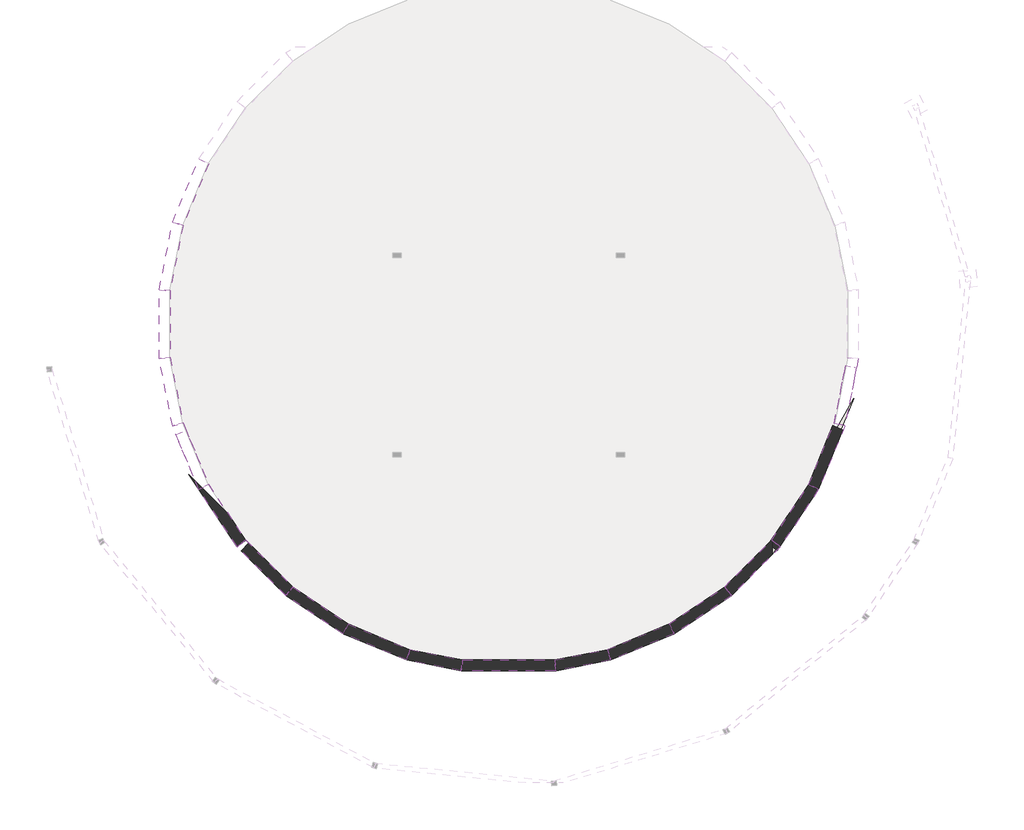
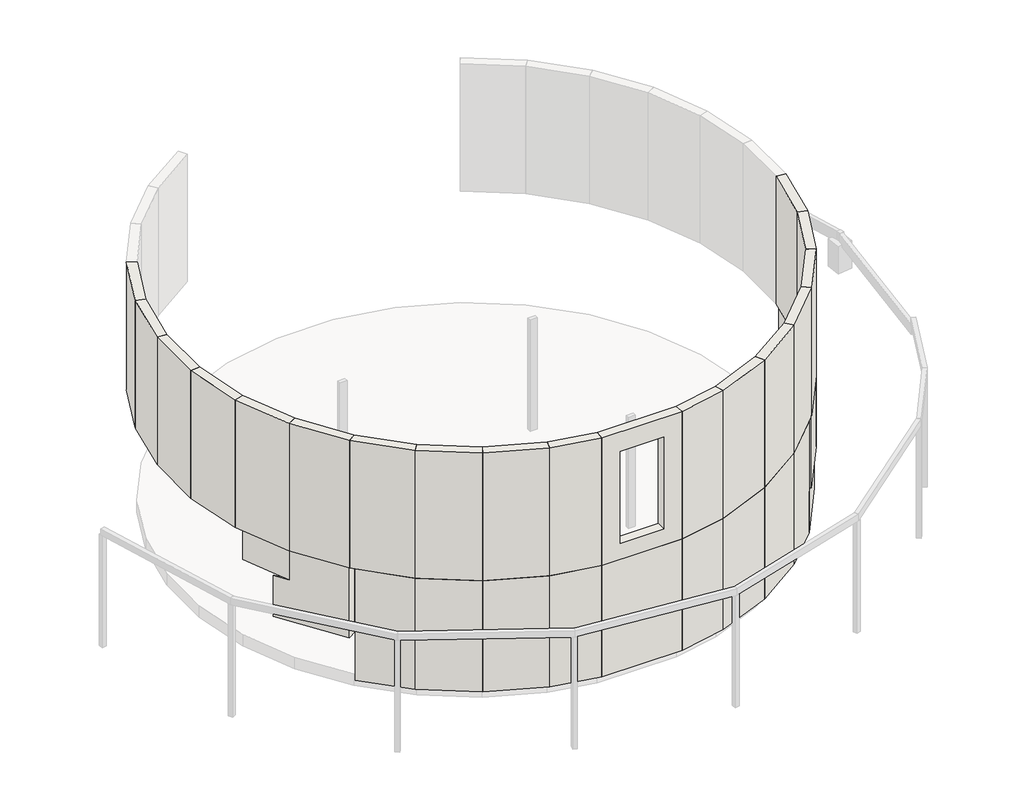
# One storey, part 1 of 2: 34 walls.
"""IFC4 building model written with IfcOpenShell, lengths in millimetres."""

from ifc_helpers import new_model, si_unit, frame, origin, place, context, project, spatial, polyline, outline, extrude, faceted_brep, element, save

model = new_model("IFC4")

# Units and contexts
model_context = context("Model", 3, world=origin())
ifc_project = project(units=[si_unit("LENGTHUNIT", "METRE", prefix="MILLI")], contexts=[model_context])

# Site, building, storey
site = spatial("IfcSite", under=ifc_project)
building = spatial("IfcBuilding", under=site)
storey = spatial("IfcBuildingStorey", under=building, Elevation=-2825.75)

# Walls
placement = place(None, origin())
element("IfcWall", 1, at=placement, inside=storey, context=model_context, shape_type="SweptSolid", body=[
    extrude(outline(polyline([(66448.196028, 58026.4981067), (65661.9444309, 56849.7894355), (65661.1088765, 57122.8516929), (66313.1409, 58098.6865766), (66448.196028, 58026.4981067)])), frame((0.0, 0.0, -2825.75), z_axis=(0.0, 0.0, 1.0), x_axis=(1.0, 0.0, 0.0)), (0.0, 0.0, 1.0), 914.4),
])
element("IfcWall", 2, at=placement, inside=storey, context=model_context, shape_type="SweptSolid", body=[
    extrude(outline(polyline([(66313.1409, 58098.6865766), (66519.3768946, 58596.5843118), (67114.3352782, 59634.700519), (66448.196028, 58026.4981067), (66313.1409, 58098.6865766)])), frame((0.0, 0.0, -2825.75), z_axis=(0.0, 0.0, 1.0), x_axis=(1.0, 0.0, 0.0)), (0.0, 0.0, 1.0), 914.4),
])
element("IfcWall", 3, ObjectType="Ext - Plank on 2x6", at=placement, inside=storey, context=model_context, shape_type="Brep", body=[
    faceted_brep([(66765.4433693, 59198.9380071, -358.775), (66310.3272515, 58100.1905031, -358.775), (66310.3272515, 58100.1905031, 2466.975), (66765.4433693, 59198.9380071, 2466.975), (66951.6755476, 59142.4450934, -358.775), (66951.6755476, 59142.4450934, 2466.975), (66481.9598101, 58008.4509893, 2466.975), (66481.9598101, 58008.4509893, -358.775), (66915.0397093, 59153.5584534, -358.775), (66448.196028, 58026.4981067, -358.775)], [[[0, 1, 2, 3]], [[4, 5, 6, 7]], [[3, 2, 6, 5]], [[1, 0, 8, 9]], [[2, 1, 9, 7, 6]], [[0, 3, 5, 4, 8]], [[8, 4, 7, 9]]]),
])
element("IfcWall", 4, ObjectType="Ext - Plank on 2x6", at=placement, inside=storey, context=model_context, shape_type="Brep", body=[
    faceted_brep([(66997.4595541, 60365.3621358, -358.775), (66765.4433693, 59198.9380071, -358.775), (66765.4433693, 59198.9380071, 2466.975), (66997.4595541, 60365.3621358, 2466.975), (67191.1345541, 60346.2868133, -358.775), (67191.1345541, 60346.2868133, 2466.975), (66951.6755476, 59142.4450934, 2466.975), (66951.6755476, 59142.4450934, -358.775), (67153.0345541, 60350.0393357, -358.775), (66915.0397093, 59153.5584534, -358.775)], [[[0, 1, 2, 3]], [[4, 5, 6, 7]], [[3, 2, 6, 5]], [[1, 0, 8, 9]], [[0, 3, 5, 4, 8]], [[2, 1, 9, 7, 6]], [[8, 4, 7, 9]]]),
])
element("IfcWall", 5, ObjectType="Ext - Plank on 2x6", at=placement, inside=storey, context=model_context, shape_type="Brep", body=[
    faceted_brep([(55154.5566307, 62721.0619929, -358.775), (55609.6727485, 63819.8094969, -358.775), (55609.6727485, 63819.8094969, 2466.975), (55154.5566307, 62721.0619929, 2466.975), (54968.3244524, 62777.5549066, -358.775), (54968.3244524, 62777.5549066, 2466.975), (55438.0401899, 63911.5490107, 2466.975), (55438.0401899, 63911.5490107, -358.775), (55004.9602907, 62766.4415466, -358.775), (55471.803972, 63893.5018933, -358.775)], [[[0, 1, 2, 3]], [[4, 5, 6, 7]], [[3, 2, 6, 5]], [[1, 0, 8, 9]], [[0, 3, 5, 4, 8]], [[2, 1, 9, 7, 6]], [[8, 4, 7, 9]]]),
])
element("IfcWall", 6, ObjectType="Ext - Plank on 2x6", at=placement, inside=storey, context=model_context, shape_type="Brep", body=[
    faceted_brep([(54922.5404459, 61554.6378642, -358.775), (55154.5566307, 62721.0619929, -358.775), (55154.5566307, 62721.0619929, 2466.975), (54922.5404459, 61554.6378642, 2466.975), (54728.8654459, 61573.7131867, -358.775), (54728.8654459, 61573.7131867, 2466.975), (54968.3244524, 62777.5549066, 2466.975), (54968.3244524, 62777.5549066, -358.775), (54766.9654459, 61569.9606643, -358.775), (55004.9602907, 62766.4415466, -358.775)], [[[0, 1, 2, 3]], [[4, 5, 6, 7]], [[3, 2, 6, 5]], [[1, 0, 8, 9]], [[0, 3, 5, 4, 8]], [[2, 1, 9, 7, 6]], [[8, 4, 7, 9]]]),
])
element("IfcWall", 7, ObjectType="Ext - Plank on 2x6", at=placement, inside=storey, context=model_context, shape_type="Brep", body=[
    faceted_brep([(54922.5404459, 60365.3621358, -358.775), (54922.5404459, 61554.6378642, -358.775), (54922.5404459, 61554.6378642, 2466.975), (54922.5404459, 60365.3621358, 2466.975), (54728.8654459, 60346.2868133, -358.775), (54728.8654459, 60346.2868133, 2466.975), (54728.8654459, 61573.7131867, 2466.975), (54728.8654459, 61573.7131867, -358.775), (54766.9654459, 60350.0393357, -358.775), (54766.9654459, 61569.9606643, -358.775)], [[[0, 1, 2, 3]], [[4, 5, 6, 7]], [[3, 2, 6, 5]], [[1, 0, 8, 9]], [[0, 3, 5, 4, 8]], [[2, 1, 9, 7, 6]], [[8, 4, 7, 9]]]),
])
element("IfcWall", 8, ObjectType="Ext - Plank on 2x6", at=placement, inside=storey, context=model_context, shape_type="Brep", body=[
    faceted_brep([(55154.5566307, 59198.9380071, -358.775), (54922.5404459, 60365.3621358, -358.775), (54922.5404459, 60365.3621358, 2466.975), (55154.5566307, 59198.9380071, 2466.975), (54968.3244524, 59142.4450934, -358.775), (54968.3244524, 59142.4450934, 2466.975), (54728.8654459, 60346.2868133, 2466.975), (54728.8654459, 60346.2868133, -358.775), (55004.9602907, 59153.5584534, -358.775), (54766.9654459, 60350.0393357, -358.775)], [[[0, 1, 2, 3]], [[4, 5, 6, 7]], [[3, 2, 6, 5]], [[1, 0, 8, 9]], [[0, 3, 5, 4, 8]], [[2, 1, 9, 7, 6]], [[8, 4, 7, 9]]]),
])
element("IfcWall", 9, ObjectType="Ext - Plank on 2x6", at=placement, inside=storey, context=model_context, shape_type="Brep", body=[
    faceted_brep([(55609.6727485, 58100.1905031, -358.775), (55154.5566307, 59198.9380071, -358.775), (55154.5566307, 59198.9380071, 2466.975), (55609.6727485, 58100.1905031, 2466.975), (55438.0401899, 58008.4509893, -358.775), (55438.0401899, 58008.4509893, 2466.975), (54968.3244524, 59142.4450934, 2466.975), (54968.3244524, 59142.4450934, -358.775), (55471.803972, 58026.4981067, -358.775), (55004.9602907, 59153.5584534, -358.775)], [[[0, 1, 2, 3]], [[4, 5, 6, 7]], [[3, 2, 6, 5]], [[1, 0, 8, 9]], [[0, 3, 5, 4, 8]], [[2, 1, 9, 7, 6]], [[8, 4, 7, 9]]]),
])
element("IfcWall", 10, ObjectType="Ext - Plank on 2x6", at=placement, inside=storey, context=model_context, shape_type="Brep", body=[
    faceted_brep([(56270.398942, 57111.3438743, -358.775), (55609.6727485, 58100.1905031, -358.775), (55609.6727485, 58100.1905031, 2466.975), (56270.398942, 57111.3438743, 2466.975), (56119.9617463, 56987.8832584, -358.775), (56119.9617463, 56987.8832584, 2466.975), (55438.0401899, 58008.4509893, 2466.975), (55438.0401899, 58008.4509893, -358.775), (56149.5559487, 57012.1705927, -358.775), (55471.803972, 58026.4981067, -358.775)], [[[0, 1, 2, 3]], [[4, 5, 6, 7]], [[3, 2, 6, 5]], [[1, 0, 8, 9]], [[0, 3, 5, 4, 8]], [[8, 4, 7, 9]], [[2, 1, 9, 7, 6]]]),
])
element("IfcWall", 11, ObjectType="Ext - Plank on 2x6", at=placement, inside=storey, context=model_context, shape_type="Brep", body=[
    faceted_brep([(57111.3438743, 56270.398942, -358.775), (56270.398942, 57111.3438743, -358.775), (56270.398942, 57111.3438743, 2466.975), (57111.3438743, 56270.398942, 2466.975), (56987.8832584, 56119.9617463, -358.775), (56987.8832584, 56119.9617463, 2466.975), (56119.9617463, 56987.8832584, 2466.975), (56119.9617463, 56987.8832584, -358.775), (57012.1705927, 56149.5559487, -358.775), (56149.5559487, 57012.1705927, -358.775)], [[[0, 1, 2, 3]], [[4, 5, 6, 7]], [[3, 2, 6, 5]], [[1, 0, 8, 9]], [[0, 3, 5, 4, 8]], [[2, 1, 9, 7, 6]], [[8, 4, 7, 9]]]),
])
element("IfcWall", 12, ObjectType="Ext - Plank on 2x6", at=placement, inside=storey, context=model_context, shape_type="Brep", body=[
    faceted_brep([(58100.1905031, 55609.6727485, -358.775), (57111.3438743, 56270.398942, -358.775), (57111.3438743, 56270.398942, 2466.975), (58100.1905031, 55609.6727485, 2466.975), (58008.4509893, 55438.0401899, -358.775), (58008.4509893, 55438.0401899, 2466.975), (56987.8832584, 56119.9617463, 2466.975), (56987.8832584, 56119.9617463, -358.775), (58026.4981067, 55471.803972, -358.775), (57012.1705927, 56149.5559487, -358.775)], [[[0, 1, 2, 3]], [[4, 5, 6, 7]], [[3, 2, 6, 5]], [[1, 0, 8, 9]], [[2, 1, 9, 7, 6]], [[0, 3, 5, 4, 8]], [[8, 4, 7, 9]]]),
])
element("IfcWall", 13, ObjectType="Ext - Plank on 2x6", at=placement, inside=storey, context=model_context, shape_type="Brep", body=[
    faceted_brep([(59198.9380071, 55154.5566307, -358.775), (58100.1905031, 55609.6727485, -358.775), (58100.1905031, 55609.6727485, 2466.975), (59198.9380071, 55154.5566307, 2466.975), (59142.4450934, 54968.3244524, -358.775), (59142.4450934, 54968.3244524, 2466.975), (58008.4509893, 55438.0401899, 2466.975), (58008.4509893, 55438.0401899, -358.775), (59153.5584534, 55004.9602907, -358.775), (58026.4981067, 55471.803972, -358.775)], [[[0, 1, 2, 3]], [[4, 5, 6, 7]], [[3, 2, 6, 5]], [[1, 0, 8, 9]], [[0, 3, 5, 4, 8]], [[8, 4, 7, 9]], [[2, 1, 9, 7, 6]]]),
])
element("IfcWall", 14, ObjectType="Ext - Plank on 2x6", at=placement, inside=storey, context=model_context, shape_type="Brep", body=[
    faceted_brep([(60135.5353001, 54968.2558459, -358.775), (59198.9380071, 55154.5566307, -358.775), (59198.9380071, 55154.5566307, 2466.975), (60135.5353001, 54968.2558459, 2466.975), (60116.4599775, 54774.5808459, -358.775), (60116.4599775, 54774.5808459, 2466.975), (59142.4450934, 54968.3244524, 2466.975), (59142.4450934, 54968.3244524, -358.775), (60120.2125, 54812.6808459, -358.775), (59153.5584534, 55004.9602907, -358.775)], [[[0, 1, 2, 3]], [[4, 5, 6, 7]], [[3, 2, 6, 5]], [[1, 0, 8, 9]], [[0, 3, 5, 4, 8]], [[8, 4, 7, 9]], [[2, 1, 9, 7, 6]]]),
])
element("IfcWall", 15, ObjectType="Ext - Plank on 2x6", at=placement, inside=storey, context=model_context, shape_type="Brep", body=[
    faceted_brep([(61784.4646999, 54968.2558459, -358.775), (60135.5353001, 54968.2558459, -358.775), (60135.5353001, 54968.2558459, 2466.975), (61784.4646999, 54968.2558459, 2466.975), (60502.8, 54968.2558459, 0.0), (61417.2, 54968.2558459, 0.0), (61417.2, 54968.2558459, 2032.0), (60502.8, 54968.2558459, 2032.0), (61803.5400225, 54774.5808459, 2466.975), (60116.4599775, 54774.5808459, 2466.975), (60116.4599775, 54774.5808459, -358.775), (61803.5400225, 54774.5808459, -358.775), (61417.2, 54774.5808459, 0.0), (60502.8, 54774.5808459, 0.0), (60502.8, 54774.5808459, 2032.0), (61417.2, 54774.5808459, 2032.0), (61799.7875, 54812.6808459, -358.775), (60120.2125, 54812.6808459, -358.775)], [[[0, 1, 2, 3], [4, 5, 6, 7]], [[8, 9, 10, 11], [12, 13, 14, 15]], [[3, 2, 9, 8]], [[1, 0, 16, 17]], [[0, 3, 8, 11, 16]], [[2, 1, 17, 10, 9]], [[11, 10, 17, 16]], [[12, 5, 4, 13]], [[13, 4, 7, 14]], [[14, 7, 6, 15]], [[5, 12, 15, 6]]]),
])
element("IfcWall", 16, ObjectType="Ext - Plank on 2x6", at=placement, inside=storey, context=model_context, shape_type="Brep", body=[
    faceted_brep([(62721.0619929, 55154.5566307, -358.775), (61784.4646999, 54968.2558459, -358.775), (61784.4646999, 54968.2558459, 2466.975), (62721.0619929, 55154.5566307, 2466.975), (62777.5549066, 54968.3244524, -358.775), (62777.5549066, 54968.3244524, 2466.975), (61803.5400225, 54774.5808459, 2466.975), (61803.5400225, 54774.5808459, -358.775), (62766.4415466, 55004.9602907, -358.775), (61799.7875, 54812.6808459, -358.775)], [[[0, 1, 2, 3]], [[4, 5, 6, 7]], [[3, 2, 6, 5]], [[1, 0, 8, 9]], [[2, 1, 9, 7, 6]], [[0, 3, 5, 4, 8]], [[8, 4, 7, 9]]]),
])
element("IfcWall", 17, ObjectType="Ext - Plank on 2x6", at=placement, inside=storey, context=model_context, shape_type="Brep", body=[
    faceted_brep([(63819.8094969, 55609.6727485, -358.775), (62721.0619929, 55154.5566307, -358.775), (62721.0619929, 55154.5566307, 2466.975), (63819.8094969, 55609.6727485, 2466.975), (63911.5490107, 55438.0401899, -358.775), (63911.5490107, 55438.0401899, 2466.975), (62777.5549066, 54968.3244524, 2466.975), (62777.5549066, 54968.3244524, -358.775), (63893.5018933, 55471.803972, -358.775), (62766.4415466, 55004.9602907, -358.775)], [[[0, 1, 2, 3]], [[4, 5, 6, 7]], [[3, 2, 6, 5]], [[1, 0, 8, 9]], [[0, 3, 5, 4, 8]], [[2, 1, 9, 7, 6]], [[8, 4, 7, 9]]]),
])
element("IfcWall", 18, ObjectType="Ext - Plank on 2x6", at=placement, inside=storey, context=model_context, shape_type="Brep", body=[
    faceted_brep([(64808.6561257, 56270.398942, -358.775), (63819.8094969, 55609.6727485, -358.775), (63819.8094969, 55609.6727485, 2466.975), (64808.6561257, 56270.398942, 2466.975), (64932.1167416, 56119.9617463, -358.775), (64932.1167416, 56119.9617463, 2466.975), (63911.5490107, 55438.0401899, 2466.975), (63911.5490107, 55438.0401899, -358.775), (64907.8294074, 56149.5559487, -358.775), (63893.5018933, 55471.803972, -358.775)], [[[0, 1, 2, 3]], [[4, 5, 6, 7]], [[3, 2, 6, 5]], [[1, 0, 8, 9]], [[0, 3, 5, 4, 8]], [[2, 1, 9, 7, 6]], [[8, 4, 7, 9]]]),
])
element("IfcWall", 19, ObjectType="Ext - Plank on 2x6", at=placement, inside=storey, context=model_context, shape_type="Brep", body=[
    faceted_brep([(65649.601058, 57111.3438743, -358.775), (64808.6561257, 56270.398942, -358.775), (64808.6561257, 56270.398942, 2466.975), (65649.601058, 57111.3438743, 2466.975), (65800.0382537, 56987.8832584, -358.775), (65800.0382537, 56987.8832584, 2466.975), (64932.1167416, 56119.9617463, 2466.975), (64932.1167416, 56119.9617463, -358.775), (65770.4440513, 57012.1705926, -358.775), (64907.8294074, 56149.5559487, -358.775)], [[[0, 1, 2, 3]], [[4, 5, 6, 7]], [[3, 2, 6, 5]], [[1, 0, 8, 9]], [[0, 3, 5, 4, 8]], [[2, 1, 9, 7, 6]], [[8, 4, 7, 9]]]),
])
element("IfcWall", 20, ObjectType="Ext - Plank on 2x6", at=placement, inside=storey, context=model_context, shape_type="Brep", body=[
    faceted_brep([(66310.3272515, 58100.1905031, -358.775), (65649.601058, 57111.3438743, -358.775), (65649.601058, 57111.3438743, 2466.975), (66310.3272515, 58100.1905031, 2466.975), (66481.9598101, 58008.4509893, -358.775), (66481.9598101, 58008.4509893, 2466.975), (65800.0382537, 56987.8832584, 2466.975), (65800.0382537, 56987.8832584, -358.775), (66448.196028, 58026.4981067, -358.775), (65770.4440513, 57012.1705926, -358.775)], [[[0, 1, 2, 3]], [[4, 5, 6, 7]], [[3, 2, 6, 5]], [[1, 0, 8, 9]], [[0, 3, 5, 4, 8]], [[2, 1, 9, 7, 6]], [[8, 4, 7, 9]]]),
])
element("IfcWall", 21, ObjectType="Ext - Plank on 2x6", at=placement, inside=storey, context=model_context, shape_type="SweptSolid", body=[
    extrude(outline(polyline([(0.0, -638.175), (0.0, 0.0), (155.575, 0.0), (193.6749999, 0.0), (193.6749999, -638.175), (0.0, -638.175)])), frame((66763.5826639, 59189.5836093, -996.95), z_axis=(0.19509032201615706, 0.9807852804032248, 0.0), x_axis=(0.9807852804032248, -0.19509032201615706, 0.0)), (0.0, 0.0, 1.0), 1053.7431765),
])
element("IfcWall", 22, ObjectType="Ext - Plank on 2x6", at=placement, inside=storey, context=model_context, shape_type="Brep", body=[
    faceted_brep([(55609.6727485, 58100.1905031, -996.95), (55210.0725978, 59064.9106064, -996.95), (55210.0725978, 59064.9106064, -358.775), (55609.6727485, 58100.1905031, -358.775), (55438.0401899, 58008.4509893, -996.95), (55438.0401899, 58008.4509893, -358.775), (55031.1402294, 58990.7943926, -358.775), (55031.1402294, 58990.7943926, -996.95), (55066.3400396, 59005.3746314, -996.95), (55471.803972, 58026.4981067, -996.95)], [[[0, 1, 2, 3]], [[4, 5, 6, 7]], [[2, 1, 8, 7, 6]], [[3, 2, 6, 5]], [[1, 0, 9, 8]], [[0, 3, 5, 4, 9]], [[9, 4, 7, 8]]]),
])
element("IfcWall", 23, ObjectType="Ext - Plank on 2x6", at=placement, inside=storey, context=model_context, shape_type="Brep", body=[
    faceted_brep([(56275.6977827, 57103.4135988, -1911.35), (55962.2965147, 57572.4517425, -1911.35), (55962.2965147, 57572.4517425, -996.95), (55609.6727485, 58100.1905031, -996.95), (55609.6727485, 58100.1905031, -358.775), (56275.6977827, 57103.4135988, -358.775), (56114.6629056, 56995.8135339, -1911.35), (56114.6629056, 56995.8135339, -358.775), (55438.0401899, 58008.4509893, -358.775), (55438.0401899, 58008.4509893, -996.95), (55257.2074893, 58279.0862511, -996.95), (55257.2074893, 58279.0862511, -1911.35), (56146.3418978, 57016.9807598, -1911.35), (55395.9135271, 58140.0761838, -1911.35), (55496.2207183, 58039.5491295, -996.95)], [[[0, 1, 2, 3, 4, 5]], [[6, 7, 8, 9, 10, 11]], [[5, 4, 8, 7]], [[0, 5, 7, 6, 12]], [[1, 0, 12, 13]], [[12, 6, 11, 13]], [[9, 14, 10]], [[2, 1, 13, 11, 10, 14]], [[4, 3, 14, 9, 8]], [[14, 3, 2]]]),
])
element("IfcWall", 24, ObjectType="Ext - Plank on 2x6", at=placement, inside=storey, context=model_context, shape_type="Brep", body=[
    faceted_brep([(57111.3438743, 56270.398942, -2825.75), (56326.9477992, 57054.7950171, -2825.75), (56326.9477992, 57054.7950171, -358.775), (57111.3438743, 56270.398942, -358.775), (56987.8832584, 56119.9617463, -2825.75), (56987.8832584, 56119.9617463, -358.775), (56189.9988934, 56917.8461113, -358.775), (56189.9988934, 56917.8461113, -2825.75), (56216.9396617, 56944.7868796, -2825.75), (57012.1705927, 56149.5559487, -2825.75)], [[[0, 1, 2, 3]], [[4, 5, 6, 7]], [[2, 1, 8, 7, 6]], [[3, 2, 6, 5]], [[1, 0, 9, 8]], [[0, 3, 5, 4, 9]], [[9, 4, 7, 8]]]),
])
element("IfcWall", 25, ObjectType="Ext - Plank on 2x6", at=placement, inside=storey, context=model_context, shape_type="Brep", body=[
    faceted_brep([(58100.1905031, 55609.6727485, -2825.75), (57111.3438743, 56270.398942, -2825.75), (57111.3438743, 56270.398942, -358.775), (58100.1905031, 55609.6727485, -358.775), (58008.4509893, 55438.0401899, -2825.75), (58008.4509893, 55438.0401899, -358.775), (56987.8832584, 56119.9617463, -358.775), (56987.8832584, 56119.9617463, -2825.75), (58026.4981067, 55471.803972, -2825.75), (57012.1705927, 56149.5559487, -2825.75)], [[[0, 1, 2, 3]], [[4, 5, 6, 7]], [[3, 2, 6, 5]], [[1, 0, 8, 9]], [[0, 3, 5, 4, 8]], [[2, 1, 9, 7, 6]], [[8, 4, 7, 9]]]),
])
element("IfcWall", 26, ObjectType="Ext - Plank on 2x6", at=placement, inside=storey, context=model_context, shape_type="Brep", body=[
    faceted_brep([(59198.9380071, 55154.5566307, -2825.75), (58100.1905031, 55609.6727485, -2825.75), (58100.1905031, 55609.6727485, -358.775), (59198.9380071, 55154.5566307, -358.775), (59142.4450934, 54968.3244524, -2825.75), (59142.4450934, 54968.3244524, -358.775), (58008.4509893, 55438.0401899, -358.775), (58008.4509893, 55438.0401899, -2825.75), (59153.5584534, 55004.9602907, -2825.75), (58026.4981067, 55471.803972, -2825.75)], [[[0, 1, 2, 3]], [[4, 5, 6, 7]], [[3, 2, 6, 5]], [[1, 0, 8, 9]], [[0, 3, 5, 4, 8]], [[2, 1, 9, 7, 6]], [[8, 4, 7, 9]]]),
])
element("IfcWall", 27, ObjectType="Ext - Plank on 2x6", at=placement, inside=storey, context=model_context, shape_type="Brep", body=[
    faceted_brep([(60135.5353001, 54968.2558459, -2825.75), (59198.9380071, 55154.5566307, -2825.75), (59198.9380071, 55154.5566307, -358.775), (60135.5353001, 54968.2558459, -358.775), (60116.4599775, 54774.5808459, -2825.75), (60116.4599775, 54774.5808459, -358.775), (59142.4450934, 54968.3244524, -358.775), (59142.4450934, 54968.3244524, -2825.75), (60120.2125, 54812.6808459, -2825.75), (59153.5584534, 55004.9602907, -2825.75)], [[[0, 1, 2, 3]], [[4, 5, 6, 7]], [[3, 2, 6, 5]], [[1, 0, 8, 9]], [[0, 3, 5, 4, 8]], [[2, 1, 9, 7, 6]], [[8, 4, 7, 9]]]),
])
element("IfcWall", 28, ObjectType="Ext - Plank on 2x6", at=placement, inside=storey, context=model_context, shape_type="Brep", body=[
    faceted_brep([(61784.4646999, 54968.2558459, -2825.75), (60135.5353001, 54968.2558459, -2825.75), (60135.5353001, 54968.2558459, -358.775), (61784.4646999, 54968.2558459, -358.775), (61803.5400225, 54774.5808459, -2825.75), (61803.5400225, 54774.5808459, -358.775), (60116.4599775, 54774.5808459, -358.775), (60116.4599775, 54774.5808459, -2825.75), (61799.7875, 54812.6808459, -2825.75), (60120.2125, 54812.6808459, -2825.75)], [[[0, 1, 2, 3]], [[4, 5, 6, 7]], [[3, 2, 6, 5]], [[1, 0, 8, 9]], [[0, 3, 5, 4, 8]], [[2, 1, 9, 7, 6]], [[8, 4, 7, 9]]]),
])
element("IfcWall", 29, ObjectType="Ext - Plank on 2x6", at=placement, inside=storey, context=model_context, shape_type="Brep", body=[
    faceted_brep([(62721.0619929, 55154.5566307, -2825.75), (61784.4646999, 54968.2558459, -2825.75), (61784.4646999, 54968.2558459, -358.775), (62721.0619929, 55154.5566307, -358.775), (62777.5549066, 54968.3244524, -2825.75), (62777.5549066, 54968.3244524, -358.775), (61803.5400225, 54774.5808459, -358.775), (61803.5400225, 54774.5808459, -2825.75), (62766.4415466, 55004.9602907, -2825.75), (61799.7875, 54812.6808459, -2825.75)], [[[0, 1, 2, 3]], [[4, 5, 6, 7]], [[3, 2, 6, 5]], [[1, 0, 8, 9]], [[0, 3, 5, 4, 8]], [[2, 1, 9, 7, 6]], [[8, 4, 7, 9]]]),
])
element("IfcWall", 30, ObjectType="Ext - Plank on 2x6", at=placement, inside=storey, context=model_context, shape_type="Brep", body=[
    faceted_brep([(63819.8094969, 55609.6727485, -2825.75), (62721.0619929, 55154.5566307, -2825.75), (62721.0619929, 55154.5566307, -358.775), (63819.8094969, 55609.6727485, -358.775), (63911.5490107, 55438.0401899, -2825.75), (63911.5490107, 55438.0401899, -358.775), (62777.5549066, 54968.3244524, -358.775), (62777.5549066, 54968.3244524, -2825.75), (63893.5018933, 55471.803972, -2825.75), (62766.4415466, 55004.9602907, -2825.75)], [[[0, 1, 2, 3]], [[4, 5, 6, 7]], [[3, 2, 6, 5]], [[1, 0, 8, 9]], [[0, 3, 5, 4, 8]], [[2, 1, 9, 7, 6]], [[8, 4, 7, 9]]]),
])
element("IfcWall", 31, ObjectType="Ext - Plank on 2x6", at=placement, inside=storey, context=model_context, shape_type="Brep", body=[
    faceted_brep([(64808.6561257, 56270.398942, -2825.75), (63819.8094969, 55609.6727485, -2825.75), (63819.8094969, 55609.6727485, -358.775), (64808.6561257, 56270.398942, -358.775), (64932.1167416, 56119.9617463, -2825.75), (64932.1167416, 56119.9617463, -358.775), (63911.5490107, 55438.0401899, -358.775), (63911.5490107, 55438.0401899, -2825.75), (64907.8294074, 56149.5559487, -2825.75), (63893.5018933, 55471.803972, -2825.75)], [[[0, 1, 2, 3]], [[4, 5, 6, 7]], [[3, 2, 6, 5]], [[1, 0, 8, 9]], [[0, 3, 5, 4, 8]], [[2, 1, 9, 7, 6]], [[8, 4, 7, 9]]]),
])
element("IfcWall", 32, ObjectType="Ext - Plank on 2x6", at=placement, inside=storey, context=model_context, shape_type="Brep", body=[
    faceted_brep([(65661.1088765, 57122.8516929, -2825.75), (64808.6561257, 56270.398942, -2825.75), (64808.6561257, 56270.398942, -358.775), (65661.1088765, 57122.8516929, -358.775), (65661.9444309, 56849.7894355, -2825.75), (65661.9444309, 56849.7894355, -358.775), (64932.1167416, 56119.9617463, -358.775), (64932.1167416, 56119.9617463, -2825.75), (65661.7800595, 56903.5066009, -2825.75), (64907.8294074, 56149.5559487, -2825.75)], [[[0, 1, 2, 3]], [[4, 5, 6, 7]], [[3, 2, 6, 5]], [[1, 0, 8, 9]], [[2, 1, 9, 7, 6]], [[0, 3, 5, 4, 8]], [[8, 4, 7, 9]]]),
])
element("IfcWall", 33, ObjectType="Ext - Plank on 2x6", at=placement, inside=storey, context=model_context, shape_type="Brep", body=[
    faceted_brep([(65751.2837984, 56926.3467575, -1911.35), (66476.332513, 58011.4588422, -1911.35), (66476.332513, 58011.4588422, -358.775), (65751.2837984, 56926.3467575, -358.775), (65590.2489212, 57033.9468224, -1911.35), (65590.2489212, 57033.9468224, -358.775), (66304.6999545, 58103.198356, -358.775), (66304.6999545, 58103.198356, -1911.35), (65719.6048061, 56947.5139834, -1911.35), (66313.1409, 58098.6865766, -1911.35), (66442.568731, 58029.5059596, -1911.35), (66448.196028, 58026.4981067, -1911.35)], [[[0, 1, 2, 3]], [[4, 5, 6, 7]], [[3, 2, 6, 5]], [[0, 3, 5, 4, 8]], [[8, 4, 7, 9, 10]], [[1, 0, 8, 10, 11]], [[2, 1, 11, 10, 9, 7, 6]]]),
])
element("IfcWall", 34, ObjectType="Ext - Plank on 2x6", at=placement, inside=storey, context=model_context, shape_type="Brep", body=[
    faceted_brep([(66737.6565135, 59148.4479526, -1911.35), (66304.6999545, 58103.198356, -1911.35), (66304.6999545, 58103.198356, -358.775), (66737.6565135, 59148.4479526, -358.775), (66916.5888819, 59074.3317389, -1911.35), (66916.5888819, 59074.3317389, -358.775), (66476.332513, 58011.4588422, -358.775), (66476.332513, 58011.4588422, -1911.35), (66881.3890718, 59088.9119776, -1911.35), (66442.568731, 58029.5059596, -1911.35), (66313.1409, 58098.6865766, -1911.35), (66448.196028, 58026.4981067, -1911.35)], [[[0, 1, 2, 3]], [[4, 5, 6, 7]], [[3, 2, 6, 5]], [[0, 3, 5, 4, 8]], [[1, 0, 8, 9, 10]], [[8, 4, 7, 11, 9]], [[2, 1, 10, 9, 11, 7, 6]]]),
])

save(model, "model.ifc")
